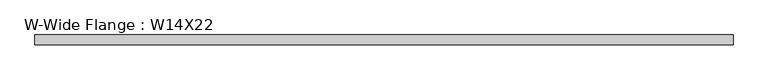
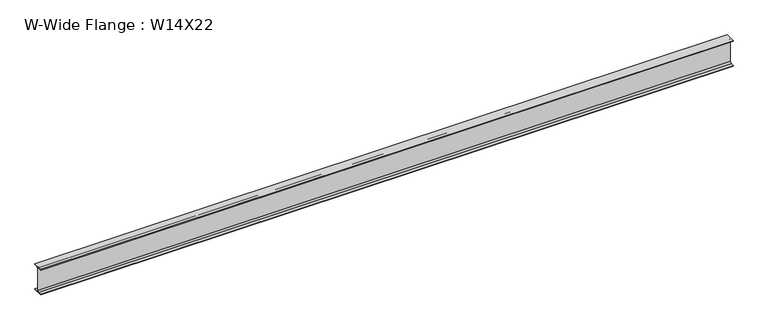
"""IFC4 building model written with IfcOpenShell, lengths in millimetres: beam geometry, W-Wide Flange : W14X22."""

from ifc_helpers import new_model, si_unit, point, frame, frame_2d, origin, place, context, project, spatial, polyline, circle_curve, trimmed, segment, composite_curve, outline, extrude, source, transform, mapped, element, save


def w_wide_flange_w14x22_b6de9e9f(model_context):
    return source(origin(), model_context, "Body", "SweptSolid", [
        extrude(outline(composite_curve([segment(polyline([(63.5, -165.4472656), (63.5, -173.9800781), (-63.5, -173.9800781), (-63.5, -165.4472656), (-21.3816406, -165.4472656)]), True, "CONTINUOUS"), segment(trimmed(circle_curve(frame_2d((-21.3816406, -146.9925781)), 18.4546875), [point((-21.3816406, -165.4472656))], [point((-2.9269531, -146.9925781))], True, "CARTESIAN"), True, "CONTINUOUS"), segment(polyline([(-2.9269531, -146.9925781), (-2.9269531, 146.9925781)]), True, "CONTINUOUS"), segment(trimmed(circle_curve(frame_2d((-21.3816406, 146.9925781)), 18.4546875), [point((-2.9269531, 146.9925781))], [point((-21.3816406, 165.4472656))], True, "CARTESIAN"), True, "CONTINUOUS"), segment(polyline([(-21.3816406, 165.4472656), (-63.5, 165.4472656), (-63.5, 173.9800781), (63.5, 173.9800781), (63.5, 165.4472656), (21.3816406, 165.4472656)]), True, "CONTINUOUS"), segment(trimmed(circle_curve(frame_2d((21.3816406, 146.9925781)), 18.4546875), [point((21.3816406, 165.4472656))], [point((2.9269531, 146.9925781))], True, "CARTESIAN"), True, "CONTINUOUS"), segment(polyline([(2.9269531, 146.9925781), (2.9269531, -146.9925781)]), True, "CONTINUOUS"), segment(trimmed(circle_curve(frame_2d((21.3816406, -146.9925781)), 18.4546875), [point((2.9269531, -146.9925781))], [point((21.3816406, -165.4472656))], True, "CARTESIAN"), True, "CONTINUOUS"), segment(polyline([(21.3816406, -165.4472656), (63.5, -165.4472656)]), True, "CONTINUOUS")], self_intersect=False)), frame((-4454.2769531, 0.0, 0.0), z_axis=(1.0, 0.0, 0.0), x_axis=(0.0, 1.0, 0.0)), (0.0, 0.0, 1.0), 8908.5539063),
    ])


if __name__ == "__main__":
    model = new_model("IFC4")
    model_context = context("Model", 3, world=origin())
    ifc_project = project(units=[si_unit("LENGTHUNIT", "METRE", prefix="MILLI")], contexts=[model_context])
    site = spatial("IfcSite", under=ifc_project)
    building = spatial("IfcBuilding", under=site)
    placement = place(None, origin())
    w_wide_flange_w14x22_shape = w_wide_flange_w14x22_b6de9e9f(model_context)
    element("IfcBeam", 1, ObjectType="W-Wide Flange : W14X22", at=placement, inside=building, context=model_context, shape_type="MappedRepresentation", body=[
        mapped(w_wide_flange_w14x22_shape, transform((0.0, 0.0, 0.0), x_axis=(1.0, 0.0, 0.0), y_axis=(0.0, 1.0, 0.0), z_axis=(0.0, 0.0, 1.0))),
    ])
    save(model, "model.ifc")
